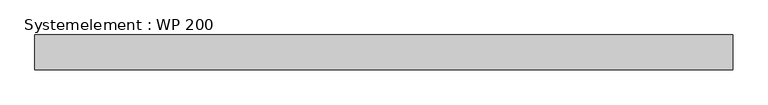
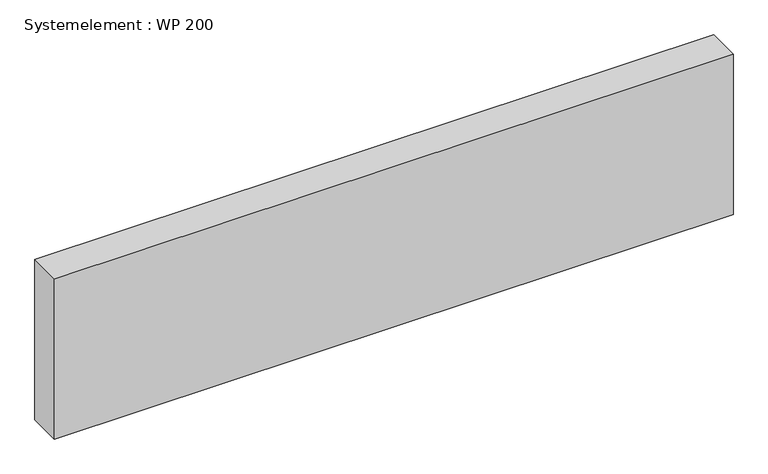
"""IFC4 building model written with IfcOpenShell, lengths in millimetres: plate geometry, Systemelement : WP 200."""

import ifcopenshell
import ifcopenshell.guid

model = None  # the IFC model being written
_history = None  # IfcOwnerHistory: only IFC2X3 demands one
_inside = {}  # id of a spatial element -> (the spatial element, [elements in it])
_under = {}  # id of a project, library or spatial element -> (it, [spatial elements below it])
_declared = {}  # id of a project -> (the project, [libraries it declares])
_typed = {}  # id of a type object -> (the type object, [elements of that type])
_made_of = {}  # id of a material, layer set ... -> (it, [elements and type objects made of it])


def new_model(schema):
    """Start an empty IFC model of exactly this schema.

    Asked for "IFC4X3", IfcOpenShell would pick the latest addendum, in which some entities
    have other attributes; the version numbers below select the first issue.
    IFC2X3 requires an IfcOwnerHistory on every rooted entity: one is made here for all.
    """
    global model, _history
    if schema == "IFC4X3":
        model = ifcopenshell.file(schema_version=(4, 3, 0, 0))
    else:
        model = ifcopenshell.file(schema=schema)
    _inside.clear()
    _under.clear()
    _declared.clear()
    _typed.clear()
    _made_of.clear()
    _history = None
    if model.schema == "IFC2X3":
        org = make("IfcOrganization", Name="unknown")
        user = make(
            "IfcPersonAndOrganization",
            ThePerson=make("IfcPerson", FamilyName="unknown"),
            TheOrganization=org,
        )
        app = make(
            "IfcApplication",
            ApplicationDeveloper=org,
            Version="unknown",
            ApplicationFullName="unknown",
            ApplicationIdentifier="unknown",
        )
        _history = make(
            "IfcOwnerHistory",
            OwningUser=user,
            OwningApplication=app,
            ChangeAction="ADDED",
            CreationDate=0,
        )
    return model


def make(cls, **values):
    """One entity of the class cls with the attributes given. An attribute that is None is left unset."""
    return model.create_entity(
        cls, **{name: value for name, value in values.items() if value is not None}
    )


def rooted(cls, **values):
    """An entity with a GlobalId (a new one), such as an element, a storey or a relation."""
    return make(cls, GlobalId=ifcopenshell.guid.new(), OwnerHistory=_history, **values)


def si_unit(unit_type, name, prefix=None):
    """IfcSIUnit, for example si_unit("LENGTHUNIT", "METRE", prefix="MILLI")."""
    return make("IfcSIUnit", UnitType=unit_type, Prefix=prefix, Name=name)


def assignment(units):
    """IfcUnitAssignment: the units of a project."""
    return None if units is None else make("IfcUnitAssignment", Units=units)


def point(xyz):
    """IfcCartesianPoint."""
    return None if xyz is None else make("IfcCartesianPoint", Coordinates=xyz)


def direction(xyz):
    """IfcDirection."""
    return None if xyz is None else make("IfcDirection", DirectionRatios=xyz)


def frame(location, z_axis=None, x_axis=None):
    """IfcAxis2Placement3D, a coordinate frame: its origin and axes. An axis left out is left unset."""
    return make(
        "IfcAxis2Placement3D",
        Location=point(location),
        Axis=direction(z_axis),
        RefDirection=direction(x_axis),
    )


def origin():
    """The frame at (0, 0, 0) with its axes left unset."""
    return frame((0.0, 0.0, 0.0))


def origin_with_axes():
    """The frame at (0, 0, 0) with the z axis (0, 0, 1) and the x axis (1, 0, 0) written out."""
    return frame((0.0, 0.0, 0.0), z_axis=(0.0, 0.0, 1.0), x_axis=(1.0, 0.0, 0.0))


def place(relative_to, where):
    """IfcLocalPlacement: puts the frame where relative to a parent placement (None: the world)."""
    return make(
        "IfcLocalPlacement", PlacementRelTo=relative_to, RelativePlacement=where
    )


def context(
    kind, dimensions, precision=None, world=None, true_north=None, identifier=None
):
    """IfcGeometricRepresentationContext, for example the 3D "Model" context."""
    return make(
        "IfcGeometricRepresentationContext",
        ContextIdentifier=identifier,
        ContextType=kind,
        CoordinateSpaceDimension=dimensions,
        Precision=precision,
        WorldCoordinateSystem=world,
        TrueNorth=true_north,
    )


def project(units=None, contexts=None):
    """IfcProject with its units and contexts."""
    return rooted(
        "IfcProject",
        Name="project",
        RepresentationContexts=contexts,
        UnitsInContext=assignment(units),
    )


def spatial(cls, under=None, at=None, **own):
    """A site, building, storey or space (cls), placed at a placement, below another one or the project."""
    s = rooted(cls, ObjectPlacement=at, **own)
    if under is not None:
        _under.setdefault(under.id(), (under, []))[1].append(s)
    return s


def polyline(points):
    """IfcPolyline through the points."""
    return make("IfcPolyline", Points=[point(p) for p in points])


def outline(outer, holes=None, kind="AREA"):
    """IfcArbitraryClosedProfileDef: a profile drawn as a closed curve; with holes, ...WithVoids."""
    if holes is None:
        return make("IfcArbitraryClosedProfileDef", ProfileType=kind, OuterCurve=outer)
    return make(
        "IfcArbitraryProfileDefWithVoids",
        ProfileType=kind,
        OuterCurve=outer,
        InnerCurves=holes,
    )


def extrude(swept, where, along, depth):
    """IfcExtrudedAreaSolid: the profile swept, set in the frame where, extruded along a direction by depth."""
    return make(
        "IfcExtrudedAreaSolid",
        SweptArea=swept,
        Position=where,
        ExtrudedDirection=direction(along),
        Depth=depth,
    )


def shape(context_of_items, identifier, shape_type, items):
    """IfcShapeRepresentation: the items that make up one representation, for example the "Body"."""
    return make(
        "IfcShapeRepresentation",
        ContextOfItems=context_of_items,
        RepresentationIdentifier=identifier,
        RepresentationType=shape_type,
        Items=items,
    )


def source(mapping_origin, context_of_items, identifier, shape_type, items):
    """IfcRepresentationMap: a shape defined once, which mapped items show again and again."""
    return make(
        "IfcRepresentationMap",
        MappingOrigin=mapping_origin,
        MappedRepresentation=shape(context_of_items, identifier, shape_type, items),
    )


def transform(
    local_origin,
    x_axis=None,
    y_axis=None,
    z_axis=None,
    scale=None,
    scale2=None,
    scale3=None,
    uniform=True,
):
    """IfcCartesianTransformationOperator3D, or its non-uniform kind. x_axis, y_axis, z_axis: its Axis1, 2, 3."""
    if uniform:
        return make(
            "IfcCartesianTransformationOperator3D",
            Axis1=direction(x_axis),
            Axis2=direction(y_axis),
            LocalOrigin=point(local_origin),
            Scale=scale,
            Axis3=direction(z_axis),
        )
    return make(
        "IfcCartesianTransformationOperator3DnonUniform",
        Axis1=direction(x_axis),
        Axis2=direction(y_axis),
        LocalOrigin=point(local_origin),
        Scale=scale,
        Axis3=direction(z_axis),
        Scale2=scale2,
        Scale3=scale3,
    )


def mapped(mapping_source, mapping_target):
    """IfcMappedItem: shows the shape of a source again, moved by a transform."""
    return make(
        "IfcMappedItem", MappingSource=mapping_source, MappingTarget=mapping_target
    )


def made_of(thing, what):
    """Note that an element or type object is made of a material, layer set ...; save() writes the relation."""
    if what is not None:
        _made_of.setdefault(what.id(), (what, []))[1].append(thing)
    return thing


def element(
    cls,
    number,
    at=None,
    inside=None,
    cuts=None,
    type_object=None,
    material=None,
    context=None,
    identifier="Body",
    shape_type=None,
    held_by="IfcProductDefinitionShape",
    body=None,
    shapes=None,
    **own,
):
    """One element of the class cls, such as IfcWall. Its Tag is "e" and its number.

    at: its placement. inside: the storey or other place that contains it. cuts: it is an
    opening in that element (IfcRelVoidsElement). A single representation is given by context,
    identifier, shape_type and body (its items); several are given by shapes. held_by: the class
    of the entity that holds the representations. save() writes the other relations.
    """
    e = rooted(cls, Tag="e%d" % number, ObjectPlacement=at, **own)
    if body is not None:
        shapes = [shape(context, identifier, shape_type, body)]
    if shapes is not None:
        e.Representation = make(held_by, Representations=shapes)
    if inside is not None:
        _inside.setdefault(inside.id(), (inside, []))[1].append(e)
    if cuts is not None:
        rooted(
            "IfcRelVoidsElement", RelatingBuildingElement=cuts, RelatedOpeningElement=e
        )
    if type_object is not None:
        _typed.setdefault(type_object.id(), (type_object, []))[1].append(e)
    return made_of(e, material)


def aggregate(whole, parts):
    """IfcRelAggregates: a whole, such as a stair, and the parts it consists of."""
    return rooted("IfcRelAggregates", RelatingObject=whole, RelatedObjects=parts)


def save(model, path):
    """Write the relations noted so far, then the file.

    IfcRelAggregates (storeys below a building ...), IfcRelContainedInSpatialStructure (elements
    in a storey), IfcRelDefinesByType, IfcRelAssociatesMaterial and IfcRelDeclares: one each for
    every whole, place, type object, material and project.
    """
    for whole, parts in _under.values():
        aggregate(whole, parts)
    for where, things in _inside.values():
        rooted(
            "IfcRelContainedInSpatialStructure",
            RelatedElements=things,
            RelatingStructure=where,
        )
    for kind, things in _typed.values():
        rooted("IfcRelDefinesByType", RelatedObjects=things, RelatingType=kind)
    for what, things in _made_of.values():
        rooted("IfcRelAssociatesMaterial", RelatedObjects=things, RelatingMaterial=what)
    for by, libraries in _declared.values():
        rooted("IfcRelDeclares", RelatingContext=by, RelatedDefinitions=libraries)
    model.write(path)


def systemelement_wp_200_44cf9a54(model_context):
    return source(origin(), model_context, "Body", "SweptSolid", [
        extrude(outline(polyline([(2000.0, -200.0), (-2000.0, -200.0), (-2000.0, 0.0), (2000.0, 0.0), (2000.0, -200.0)])), origin_with_axes(), (0.0, 0.0, 1.0), 1000.0),
    ])


if __name__ == "__main__":
    model = new_model("IFC4")
    model_context = context("Model", 3, world=origin())
    ifc_project = project(units=[si_unit("LENGTHUNIT", "METRE", prefix="MILLI")], contexts=[model_context])
    site = spatial("IfcSite", under=ifc_project)
    building = spatial("IfcBuilding", under=site)
    placement = place(None, origin())
    systemelement_wp_200_shape = systemelement_wp_200_44cf9a54(model_context)
    element("IfcPlate", 1, ObjectType="Systemelement : WP 200", at=placement, inside=building, context=model_context, shape_type="MappedRepresentation", body=[
        mapped(systemelement_wp_200_shape, transform((0.0, 0.0, 0.0), x_axis=(1.0, 0.0, 0.0), y_axis=(0.0, 1.0, 0.0), z_axis=(0.0, 0.0, 1.0))),
    ])
    save(model, "model.ifc")
